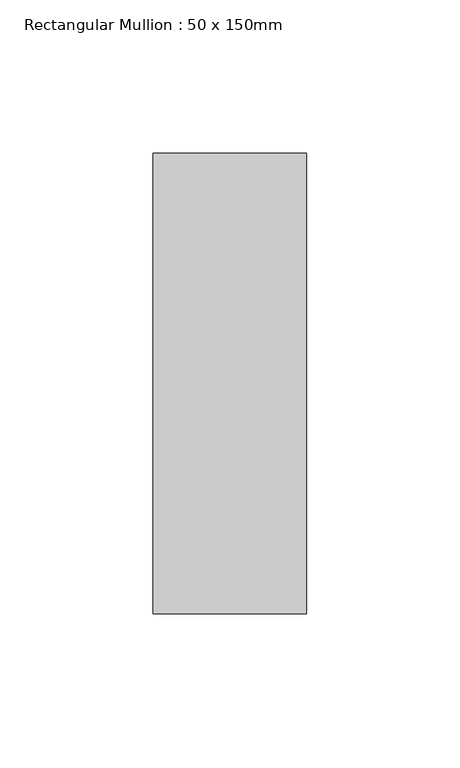
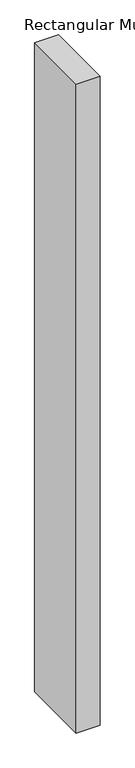
"""IFC4 building model written with IfcOpenShell, lengths in millimetres: member geometry, Rectangular Mullion : 50 x 150mm."""

from ifc_helpers import new_model, si_unit, frame, origin, place, context, project, spatial, polyline, outline, extrude, source, transform, mapped, element, save


def rectangular_mullion_50_x_150mm_89597607(model_context):
    return source(origin(), model_context, "Body", "SweptSolid", [
        extrude(outline(polyline([(25.0, 75.0), (25.0, -75.0), (-25.0, -75.0), (-25.0, 75.0), (25.0, 75.0)])), frame((0.0, 0.0, -1430.004786), z_axis=(0.0, 0.0, 1.0), x_axis=(1.0, 0.0, 0.0)), (0.0, 0.0, 1.0), 1430.004786),
    ])


if __name__ == "__main__":
    model = new_model("IFC4")
    model_context = context("Model", 3, world=origin())
    ifc_project = project(units=[si_unit("LENGTHUNIT", "METRE", prefix="MILLI")], contexts=[model_context])
    site = spatial("IfcSite", under=ifc_project)
    building = spatial("IfcBuilding", under=site)
    placement = place(None, origin())
    rectangular_mullion_50_x_150mm_shape = rectangular_mullion_50_x_150mm_89597607(model_context)
    element("IfcMember", 1, ObjectType="Rectangular Mullion : 50 x 150mm", at=placement, inside=building, context=model_context, shape_type="MappedRepresentation", body=[
        mapped(rectangular_mullion_50_x_150mm_shape, transform((0.0, 0.0, 0.0), x_axis=(1.0, 0.0, 0.0), y_axis=(0.0, 1.0, 0.0), z_axis=(0.0, 0.0, 1.0))),
    ])
    save(model, "model.ifc")
